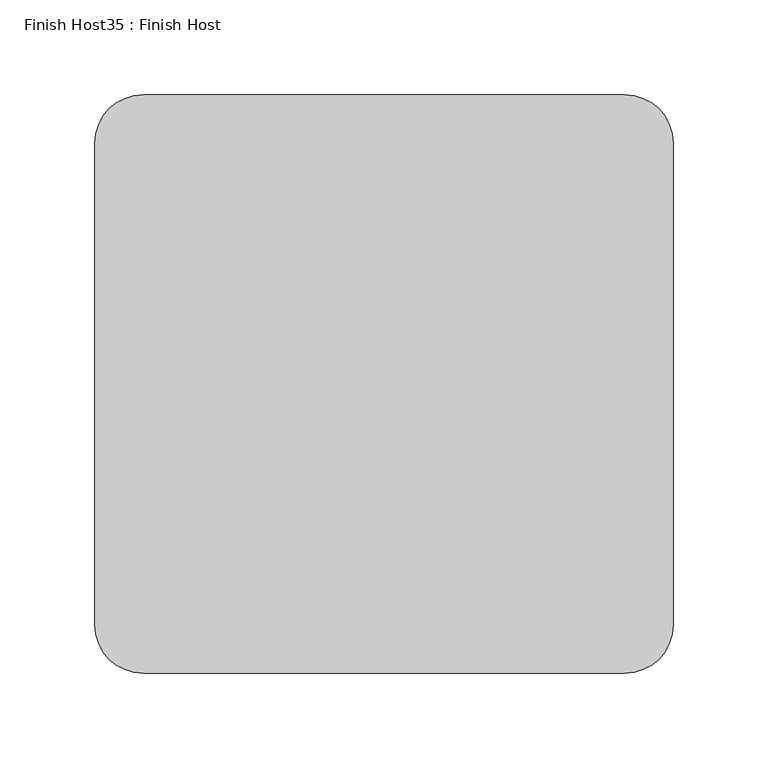
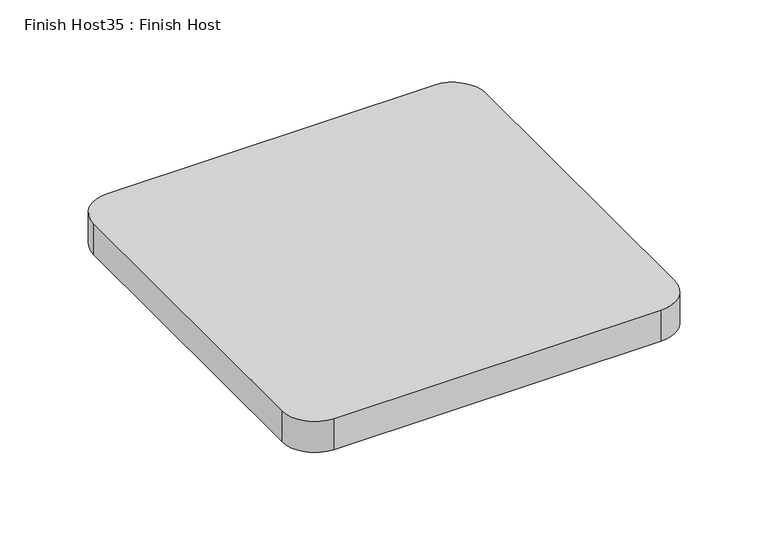
"""IFC4 building model written with IfcOpenShell, lengths in millimetres: proxy geometry, Finish Host35 : Finish Host."""

from ifc_helpers import new_model, si_unit, point, frame_2d, origin, origin_with_axes, place, context, project, spatial, polyline, circle_curve, trimmed, segment, composite_curve, outline, extrude, source, transform, mapped, element, save


def finish_host35_finish_host_c54f2c3e(model_context):
    return source(origin(), model_context, "Body", "SweptSolid", [
        extrude(outline(composite_curve([segment(polyline([(3070.6934426, 3188.0122951), (3070.6934426, 3442.0122951)]), True, "CONTINUOUS"), segment(trimmed(circle_curve(frame_2d((3096.0934426, 3442.0122951)), 25.4), [point((3070.6934426, 3442.0122951))], [point((3096.0934426, 3467.4122951))], False, "CARTESIAN"), True, "CONTINUOUS"), segment(polyline([(3096.0934426, 3467.4122951), (3350.0934426, 3467.4122951)]), True, "CONTINUOUS"), segment(trimmed(circle_curve(frame_2d((3350.0934426, 3442.0122951)), 25.4), [point((3350.0934426, 3467.4122951))], [point((3375.4934426, 3442.0122951))], False, "CARTESIAN"), True, "CONTINUOUS"), segment(polyline([(3375.4934426, 3442.0122951), (3375.4934426, 3188.0122951)]), True, "CONTINUOUS"), segment(trimmed(circle_curve(frame_2d((3350.0934426, 3188.0122951)), 25.4), [point((3375.4934426, 3188.0122951))], [point((3350.0934426, 3162.6122951))], False, "CARTESIAN"), True, "CONTINUOUS"), segment(polyline([(3350.0934426, 3162.6122951), (3096.0934426, 3162.6122951)]), True, "CONTINUOUS"), segment(trimmed(circle_curve(frame_2d((3096.0934426, 3188.0122951)), 25.4), [point((3096.0934426, 3162.6122951))], [point((3070.6934426, 3188.0122951))], False, "CARTESIAN"), True, "CONTINUOUS")], self_intersect=False)), origin_with_axes(), (0.0, 0.0, 1.0), 25.4),
    ])


if __name__ == "__main__":
    model = new_model("IFC4")
    model_context = context("Model", 3, world=origin())
    ifc_project = project(units=[si_unit("LENGTHUNIT", "METRE", prefix="MILLI")], contexts=[model_context])
    site = spatial("IfcSite", under=ifc_project)
    building = spatial("IfcBuilding", under=site)
    placement = place(None, origin())
    finish_host35_finish_host_shape = finish_host35_finish_host_c54f2c3e(model_context)
    element("IfcBuildingElementProxy", 1, Name="Finish Host35 : Finish Host", ObjectType="Finish Host35 : Finish Host", at=placement, inside=building, context=model_context, shape_type="MappedRepresentation", body=[
        mapped(finish_host35_finish_host_shape, transform((0.0, 0.0, 0.0), x_axis=(1.0, 0.0, 0.0), y_axis=(0.0, 1.0, 0.0), z_axis=(0.0, 0.0, 1.0))),
    ])
    save(model, "model.ifc")
